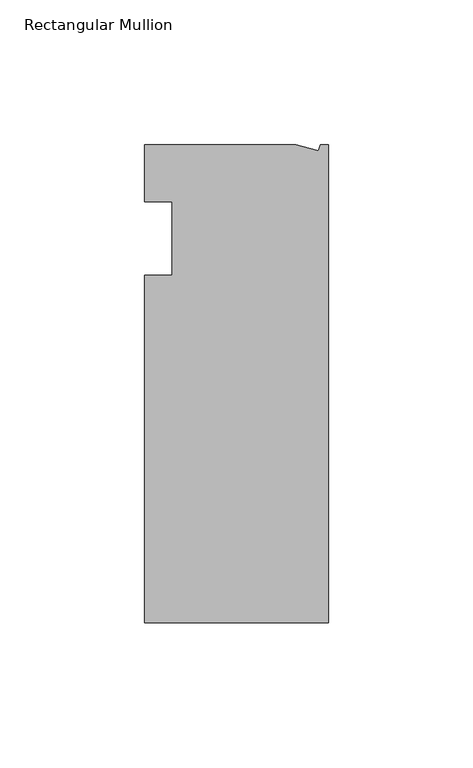
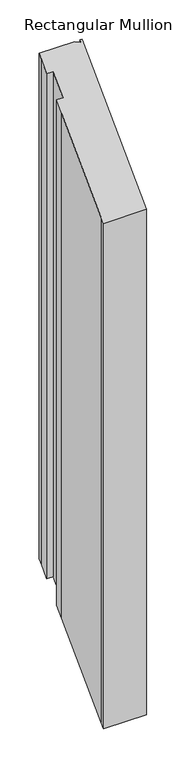
"""IFC4 building model written with IfcOpenShell, lengths in millimetres: member geometry, Rectangular Mullion."""

from ifc_helpers import new_model, si_unit, origin, place, context, project, spatial, faceted_brep, source, transform, mapped, element, save


def rectangular_mullion_a7422d4e(model_context):
    return source(origin(), model_context, "Body", "Brep", [
        faceted_brep([(-63.5, 19.6597595, 19.6597595), (-11.1265412, 19.6597595, 19.6597595), (-11.1265412, 19.6597595, -767.7402405), (-63.5, 19.6597595, -767.7402405), (-63.5, 0.0, 0.0), (-63.5, 13.6146679, 13.6146679), (-63.5, 13.6146679, -773.7853321), (-63.5, 0.0, -787.4), (-53.975, 0.0, 0.0), (-53.975, 0.0, -787.4), (-53.975, -25.4, -25.4), (-53.975, -25.4, -812.8), (-63.5, -25.4, -25.4), (-63.5, -25.4, -812.8), (-63.5, -139.0912527, -139.0912527), (-63.5, -38.3358837, -38.3358837), (-63.5, -38.3358837, -825.7358837), (-63.5, -139.0912527, -926.4912527), (0.0, -145.4402405, -145.4402405), (-63.5, -145.4402405, -145.4402405), (-63.5, -145.4402405, -932.8402405), (0.0, -145.4402405, -932.8402405), (0.0, 19.6597595, 19.6597595), (0.0, 19.6597595, -767.7402405), (-2.787084, 19.6597595, 19.6597595), (-2.787084, 19.6597595, -767.7402405), (-3.3457217, 17.5748952, 17.5748952), (-3.3457217, 17.5748952, -769.8251048)], [[[0, 1, 2, 3]], [[4, 5, 6, 7]], [[8, 4, 7, 9]], [[10, 8, 9, 11]], [[12, 10, 11, 13]], [[14, 15, 16, 17]], [[18, 19, 20, 21]], [[22, 18, 21, 23]], [[24, 22, 23, 25]], [[26, 24, 25, 27]], [[1, 26, 27, 2]], [[1, 0, 5, 4, 8, 10, 12, 15, 14, 19, 18, 22, 24, 26]], [[2, 27, 25, 23, 21, 20, 17, 16, 13, 11, 9, 7, 6, 3]], [[19, 14, 17, 20]], [[5, 0, 3, 6]], [[15, 12, 13, 16]]]),
    ])


if __name__ == "__main__":
    model = new_model("IFC4")
    model_context = context("Model", 3, world=origin())
    ifc_project = project(units=[si_unit("LENGTHUNIT", "METRE", prefix="MILLI")], contexts=[model_context])
    site = spatial("IfcSite", under=ifc_project)
    building = spatial("IfcBuilding", under=site)
    placement = place(None, origin())
    rectangular_mullion_shape = rectangular_mullion_a7422d4e(model_context)
    element("IfcMember", 1, ObjectType="Rectangular Mullion", at=placement, inside=building, context=model_context, shape_type="MappedRepresentation", body=[
        mapped(rectangular_mullion_shape, transform((0.0, 0.0, 0.0), x_axis=(1.0, 0.0, 0.0), y_axis=(0.0, 1.0, 0.0), z_axis=(0.0, 0.0, 1.0))),
    ])
    save(model, "model.ifc")
